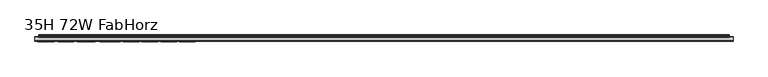
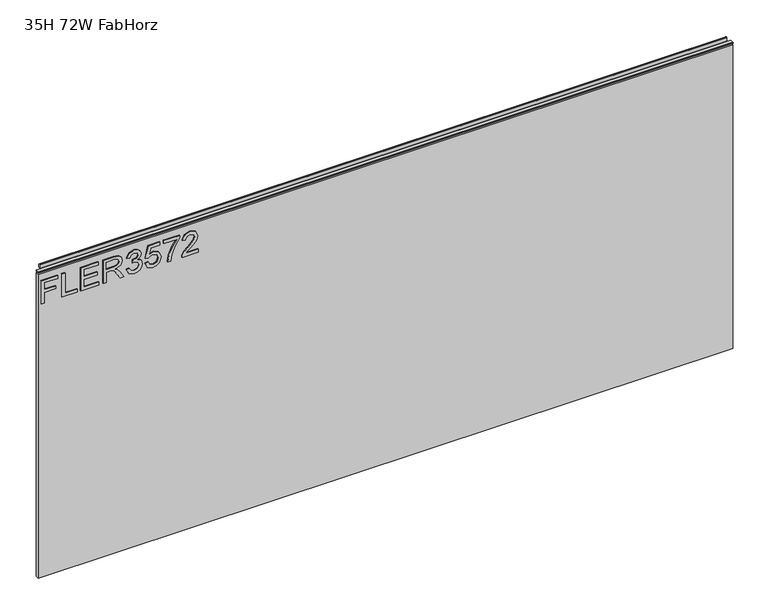
"""IFC4 building model written with IfcOpenShell, lengths in millimetres: furniture geometry, 35H 72W FabHorz."""

from ifc_helpers import new_model, si_unit, frame, origin, place, context, project, spatial, polyline, outline, extrude, source, transform, mapped, element, save


def furniture_35h_72w_fabhorz_068b1606(model_context):
    return source(origin(), model_context, "Body", "SweptSolid", [
        extrude(outline(polyline([(773.6078, -291.2189953), (773.6078, -283.2452757), (802.5125336, -283.2452757), (802.5125336, -253.3438271), (810.4862532, -253.3438271), (810.4862532, -283.2452757), (829.4238373, -283.2452757), (829.4238373, -248.3602524), (837.3975569, -248.3602524), (837.3975569, -291.2189953), (773.6078, -291.2189953)])), frame((0.0, -5.5562439, 0.0), z_axis=(0.0, 1.0, 0.0), x_axis=(0.0, 0.0, 1.0)), (0.0, 0.0, 1.0), 2.38125),
        extrude(outline(polyline([(773.6078, -237.3963879), (773.6078, -197.5277898), (781.5815196, -197.5277898), (781.5815196, -229.4226683), (837.3975569, -229.4226683), (837.3975569, -237.3963879), (773.6078, -237.3963879)])), frame((0.0, -5.5562439, 0.0), z_axis=(0.0, 1.0, 0.0), x_axis=(0.0, 0.0, 1.0)), (0.0, 0.0, 1.0), 2.38125),
        extrude(outline(polyline([(773.6078, -188.5573553), (773.6078, -141.7117525), (781.5815196, -141.7117525), (781.5815196, -180.5836356), (802.5125336, -180.5836356), (802.5125336, -144.7018974), (810.4862532, -144.7018974), (810.4862532, -180.5836356), (829.4238373, -180.5836356), (829.4238373, -142.7084674), (837.3975569, -142.7084674), (837.3975569, -188.5573553), (773.6078, -188.5573553)])), frame((0.0, -5.5562439, 0.0), z_axis=(0.0, 1.0, 0.0), x_axis=(0.0, 0.0, 1.0)), (0.0, 0.0, 1.0), 2.38125),
        extrude(outline(polyline([(773.6078, -129.7511731), (773.6078, -121.7774534), (801.5158187, -121.7774534), (801.5158187, -112.1529247), (801.2354926, -107.5275444), (799.7170596, -103.7353554), (795.58225, -99.5226774), (786.8298468, -93.526814), (773.6078, -85.2260473), (773.6078, -75.959713), (790.894575, -86.5965304), (799.1018996, -93.0596039), (802.5125336, -97.5915422), (808.4461023, -84.2371192), (819.9394716, -79.9154255), (829.5873609, -82.5240154), (835.6766663, -89.50102), (837.3975569, -102.2636435), (837.3975569, -129.7511731), (773.6078, -129.7511731)]), holes=[polyline([(809.4895383, -121.7774534), (829.4238373, -121.7774534), (829.4238373, -101.9210228), (826.6672975, -91.2608449), (819.6435719, -87.8891451), (814.2317211, -89.6567567), (810.6186294, -94.8272156), (809.4895383, -103.9300263), (809.4895383, -121.7774534)])]), frame((0.0, -5.5562439, 0.0), z_axis=(0.0, 1.0, 0.0), x_axis=(0.0, 0.0, 1.0)), (0.0, 0.0, 1.0), 2.38125),
        extrude(outline(polyline([(790.5519542, -68.951561), (777.6102335, -62.6130768), (772.611085, -48.6279202), (774.0750101, -40.1052286), (778.4667854, -33.1944121), (784.9610063, -28.6157528), (792.7322681, -27.089533), (803.1043331, -30.1419725), (808.555118, -38.832081), (813.8345925, -32.2911391), (821.1853653, -30.0796778), (829.2291664, -32.4079417), (835.2094562, -39.1357676), (837.3975569, -48.7525095), (832.9590607, -61.4294778), (820.4534028, -67.954846), (819.4566878, -59.9811264), (826.9320499, -56.072135), (829.4238373, -48.4721834), (826.9554105, -40.965674), (820.7181552, -38.0533975), (813.6788558, -42.0714046), (811.4829682, -52.3967486), (803.5092486, -53.2844478), (804.3813742, -47.6934999), (801.11869, -38.6296233), (792.8724312, -35.0632526), (784.120028, -38.6607706), (780.5848047, -48.3475941), (783.1544604, -56.5782793), (791.5486691, -60.9778414), (790.5519542, -68.951561)])), frame((0.0, -5.5562439, 0.0), z_axis=(0.0, 1.0, 0.0), x_axis=(0.0, 0.0, 1.0)), (0.0, 0.0, 1.0), 2.38125),
        extrude(outline(polyline([(790.5519542, -20.1125283), (777.5245783, -13.8908467), (772.611085, 0.1799652), (774.5227532, 9.5708889), (780.2577576, 16.7503512), (795.0527451, 21.7494997), (809.7542907, 16.1974859), (815.469828, 2.5627368), (810.8600213, -9.1019428), (828.4271224, -5.6913089), (828.4271224, 18.7593548), (836.400842, 18.7593548), (836.400842, -12.1388087), (803.5092486, -19.1158134), (802.5125336, -11.1420937), (806.1100516, -6.6646633), (807.4961084, 0.3357019), (804.0231797, 10.4352276), (794.5543877, 13.7757801), (784.4081409, 10.2094094), (780.5848047, 0.2111125), (783.3335576, -8.1208015), (791.5486691, -12.1388087), (790.5519542, -20.1125283)])), frame((0.0, -5.5562439, 0.0), z_axis=(0.0, 1.0, 0.0), x_axis=(0.0, 0.0, 1.0)), (0.0, 0.0, 1.0), 2.38125),
        extrude(outline(polyline([(828.4271224, 28.7265043), (828.4271224, 62.6148127), (811.9268178, 50.5607913), (791.5953902, 41.8628959), (773.6078, 38.6936539), (773.6078, 46.6673735), (790.941296, 49.626371), (812.7989434, 58.7136081), (829.9533421, 70.5885323), (836.400842, 70.5885323), (836.400842, 28.7265043), (828.4271224, 28.7265043)])), frame((0.0, -5.5562439, 0.0), z_axis=(0.0, 1.0, 0.0), x_axis=(0.0, 0.0, 1.0)), (0.0, 0.0, 1.0), 2.38125),
        extrude(outline(polyline([(781.5815196, 118.43085), (781.5815196, 87.1121974), (785.6384609, 90.7097154), (793.308494, 99.8826077), (804.2334243, 111.3058955), (812.0514072, 116.016931), (819.6124245, 117.4341351), (832.2893928, 112.1780211), (837.3975569, 97.9047515), (832.803324, 83.6782029), (819.4566878, 77.565537), (818.4599729, 85.5392566), (826.5115608, 88.8953828), (829.4238373, 97.7334411), (826.4414793, 106.213305), (819.1296407, 109.4604155), (810.0969115, 106.0186342), (796.81257, 92.2515089), (787.5695962, 82.2687857), (779.1053059, 77.425374), (773.6078, 76.5688221), (773.6078, 118.43085), (781.5815196, 118.43085)])), frame((0.0, -5.5562439, 0.0), z_axis=(0.0, 1.0, 0.0), x_axis=(0.0, 0.0, 1.0)), (0.0, 0.0, 1.0), 2.38125),
        extrude(outline(polyline([(5.5562561, 863.6), (6.3500061, 863.6), (6.3500061, 873.47425), (7.1437561, 874.268), (8.6677569, 874.268), (10.0084363, 873.8506926), (10.875413, 872.7461816), (10.9623604, 871.3447591), (10.2390011, 868.3863459), (10.4046103, 867.1833307), (11.6746103, 864.9836103), (10.7786383, 864.4663244), (7.1437561, 864.4663244), (7.1437561, 863.6), (6.3500061, 863.3669239), (6.3500061, 856.1578), (5.5562561, 856.1578), (5.5562561, 863.6)])), frame((-288.671, 0.0, 0.0), z_axis=(1.0, 0.0, 0.0), x_axis=(0.0, 1.0, 0.0)), (0.0, 0.0, 1.0), 1796.542),
        extrude(outline(polyline([(5.5562561, 863.6), (5.5562561, 860.4249996), (-3.975094, 860.4249996), (-5.3492339, 861.2183657), (-5.3492339, 862.8066395), (-3.9751037, 863.6), (5.5562561, 863.6)])), frame((-298.196, 0.0, 0.0), z_axis=(1.0, 0.0, 0.0), x_axis=(0.0, 1.0, 0.0)), (0.0, 0.0, 1.0), 1815.592),
        extrude(outline(polyline([(1517.396, 6.3500061), (1517.396, -3.1749939), (-298.196, -3.1749939), (-298.196, 6.3500061), (1517.396, 6.3500061)])), frame((0.0, 0.0, 15.79626), z_axis=(0.0, 0.0, 1.0), x_axis=(1.0, 0.0, 0.0)), (0.0, 0.0, 1.0), 840.36154),
    ])


if __name__ == "__main__":
    model = new_model("IFC4")
    model_context = context("Model", 3, world=origin())
    ifc_project = project(units=[si_unit("LENGTHUNIT", "METRE", prefix="MILLI")], contexts=[model_context])
    site = spatial("IfcSite", under=ifc_project)
    building = spatial("IfcBuilding", under=site)
    placement = place(None, origin())
    furniture_35h_72w_fabhorz_shape = furniture_35h_72w_fabhorz_068b1606(model_context)
    element("IfcFurniture", 1, ObjectType="35H 72W FabHorz", at=placement, inside=building, context=model_context, shape_type="MappedRepresentation", body=[
        mapped(furniture_35h_72w_fabhorz_shape, transform((0.0, 0.0, 0.0), x_axis=(1.0, 0.0, 0.0), y_axis=(0.0, 1.0, 0.0), z_axis=(0.0, 0.0, 1.0))),
    ])
    save(model, "model.ifc")
